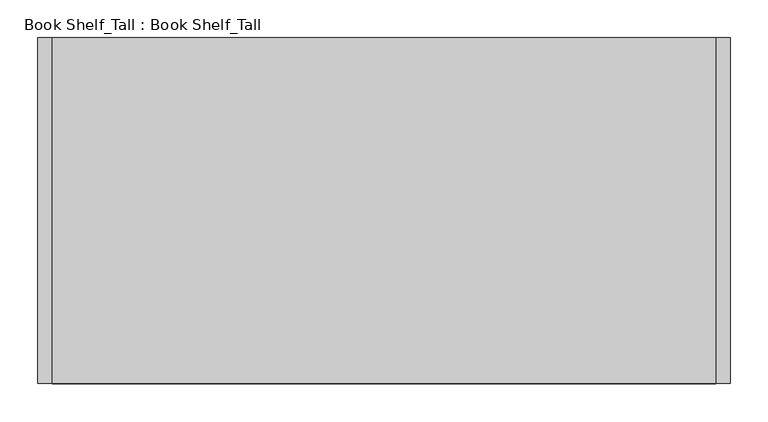
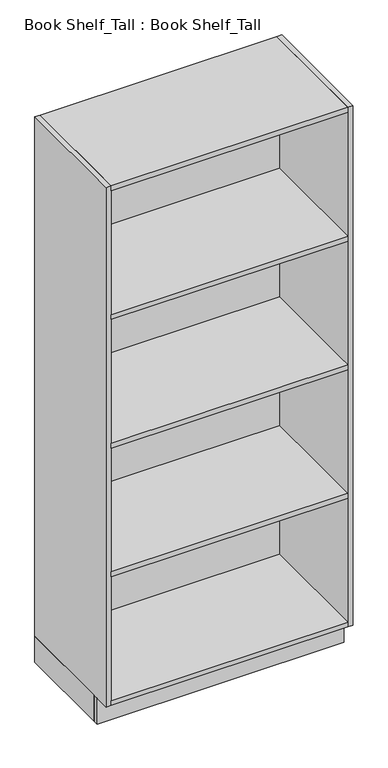
"""IFC4 building model written with IfcOpenShell, lengths in millimetres: furniture geometry, Book Shelf_Tall : Book Shelf_Tall."""

import ifcopenshell
import ifcopenshell.guid

model = None  # the IFC model being written
_history = None  # IfcOwnerHistory: only IFC2X3 demands one
_inside = {}  # id of a spatial element -> (the spatial element, [elements in it])
_under = {}  # id of a project, library or spatial element -> (it, [spatial elements below it])
_declared = {}  # id of a project -> (the project, [libraries it declares])
_typed = {}  # id of a type object -> (the type object, [elements of that type])
_made_of = {}  # id of a material, layer set ... -> (it, [elements and type objects made of it])


def new_model(schema):
    """Start an empty IFC model of exactly this schema.

    Asked for "IFC4X3", IfcOpenShell would pick the latest addendum, in which some entities
    have other attributes; the version numbers below select the first issue.
    IFC2X3 requires an IfcOwnerHistory on every rooted entity: one is made here for all.
    """
    global model, _history
    if schema == "IFC4X3":
        model = ifcopenshell.file(schema_version=(4, 3, 0, 0))
    else:
        model = ifcopenshell.file(schema=schema)
    _inside.clear()
    _under.clear()
    _declared.clear()
    _typed.clear()
    _made_of.clear()
    _history = None
    if model.schema == "IFC2X3":
        org = make("IfcOrganization", Name="unknown")
        user = make(
            "IfcPersonAndOrganization",
            ThePerson=make("IfcPerson", FamilyName="unknown"),
            TheOrganization=org,
        )
        app = make(
            "IfcApplication",
            ApplicationDeveloper=org,
            Version="unknown",
            ApplicationFullName="unknown",
            ApplicationIdentifier="unknown",
        )
        _history = make(
            "IfcOwnerHistory",
            OwningUser=user,
            OwningApplication=app,
            ChangeAction="ADDED",
            CreationDate=0,
        )
    return model


def make(cls, **values):
    """One entity of the class cls with the attributes given. An attribute that is None is left unset."""
    return model.create_entity(
        cls, **{name: value for name, value in values.items() if value is not None}
    )


def rooted(cls, **values):
    """An entity with a GlobalId (a new one), such as an element, a storey or a relation."""
    return make(cls, GlobalId=ifcopenshell.guid.new(), OwnerHistory=_history, **values)


def si_unit(unit_type, name, prefix=None):
    """IfcSIUnit, for example si_unit("LENGTHUNIT", "METRE", prefix="MILLI")."""
    return make("IfcSIUnit", UnitType=unit_type, Prefix=prefix, Name=name)


def assignment(units):
    """IfcUnitAssignment: the units of a project."""
    return None if units is None else make("IfcUnitAssignment", Units=units)


def point(xyz):
    """IfcCartesianPoint."""
    return None if xyz is None else make("IfcCartesianPoint", Coordinates=xyz)


def direction(xyz):
    """IfcDirection."""
    return None if xyz is None else make("IfcDirection", DirectionRatios=xyz)


def frame(location, z_axis=None, x_axis=None):
    """IfcAxis2Placement3D, a coordinate frame: its origin and axes. An axis left out is left unset."""
    return make(
        "IfcAxis2Placement3D",
        Location=point(location),
        Axis=direction(z_axis),
        RefDirection=direction(x_axis),
    )


def origin():
    """The frame at (0, 0, 0) with its axes left unset."""
    return frame((0.0, 0.0, 0.0))


def origin_with_axes():
    """The frame at (0, 0, 0) with the z axis (0, 0, 1) and the x axis (1, 0, 0) written out."""
    return frame((0.0, 0.0, 0.0), z_axis=(0.0, 0.0, 1.0), x_axis=(1.0, 0.0, 0.0))


def place(relative_to, where):
    """IfcLocalPlacement: puts the frame where relative to a parent placement (None: the world)."""
    return make(
        "IfcLocalPlacement", PlacementRelTo=relative_to, RelativePlacement=where
    )


def context(
    kind, dimensions, precision=None, world=None, true_north=None, identifier=None
):
    """IfcGeometricRepresentationContext, for example the 3D "Model" context."""
    return make(
        "IfcGeometricRepresentationContext",
        ContextIdentifier=identifier,
        ContextType=kind,
        CoordinateSpaceDimension=dimensions,
        Precision=precision,
        WorldCoordinateSystem=world,
        TrueNorth=true_north,
    )


def project(units=None, contexts=None):
    """IfcProject with its units and contexts."""
    return rooted(
        "IfcProject",
        Name="project",
        RepresentationContexts=contexts,
        UnitsInContext=assignment(units),
    )


def spatial(cls, under=None, at=None, **own):
    """A site, building, storey or space (cls), placed at a placement, below another one or the project."""
    s = rooted(cls, ObjectPlacement=at, **own)
    if under is not None:
        _under.setdefault(under.id(), (under, []))[1].append(s)
    return s


def polyline(points):
    """IfcPolyline through the points."""
    return make("IfcPolyline", Points=[point(p) for p in points])


def outline(outer, holes=None, kind="AREA"):
    """IfcArbitraryClosedProfileDef: a profile drawn as a closed curve; with holes, ...WithVoids."""
    if holes is None:
        return make("IfcArbitraryClosedProfileDef", ProfileType=kind, OuterCurve=outer)
    return make(
        "IfcArbitraryProfileDefWithVoids",
        ProfileType=kind,
        OuterCurve=outer,
        InnerCurves=holes,
    )


def extrude(swept, where, along, depth):
    """IfcExtrudedAreaSolid: the profile swept, set in the frame where, extruded along a direction by depth."""
    return make(
        "IfcExtrudedAreaSolid",
        SweptArea=swept,
        Position=where,
        ExtrudedDirection=direction(along),
        Depth=depth,
    )


def shape(context_of_items, identifier, shape_type, items):
    """IfcShapeRepresentation: the items that make up one representation, for example the "Body"."""
    return make(
        "IfcShapeRepresentation",
        ContextOfItems=context_of_items,
        RepresentationIdentifier=identifier,
        RepresentationType=shape_type,
        Items=items,
    )


def source(mapping_origin, context_of_items, identifier, shape_type, items):
    """IfcRepresentationMap: a shape defined once, which mapped items show again and again."""
    return make(
        "IfcRepresentationMap",
        MappingOrigin=mapping_origin,
        MappedRepresentation=shape(context_of_items, identifier, shape_type, items),
    )


def transform(
    local_origin,
    x_axis=None,
    y_axis=None,
    z_axis=None,
    scale=None,
    scale2=None,
    scale3=None,
    uniform=True,
):
    """IfcCartesianTransformationOperator3D, or its non-uniform kind. x_axis, y_axis, z_axis: its Axis1, 2, 3."""
    if uniform:
        return make(
            "IfcCartesianTransformationOperator3D",
            Axis1=direction(x_axis),
            Axis2=direction(y_axis),
            LocalOrigin=point(local_origin),
            Scale=scale,
            Axis3=direction(z_axis),
        )
    return make(
        "IfcCartesianTransformationOperator3DnonUniform",
        Axis1=direction(x_axis),
        Axis2=direction(y_axis),
        LocalOrigin=point(local_origin),
        Scale=scale,
        Axis3=direction(z_axis),
        Scale2=scale2,
        Scale3=scale3,
    )


def mapped(mapping_source, mapping_target):
    """IfcMappedItem: shows the shape of a source again, moved by a transform."""
    return make(
        "IfcMappedItem", MappingSource=mapping_source, MappingTarget=mapping_target
    )


def made_of(thing, what):
    """Note that an element or type object is made of a material, layer set ...; save() writes the relation."""
    if what is not None:
        _made_of.setdefault(what.id(), (what, []))[1].append(thing)
    return thing


def element(
    cls,
    number,
    at=None,
    inside=None,
    cuts=None,
    type_object=None,
    material=None,
    context=None,
    identifier="Body",
    shape_type=None,
    held_by="IfcProductDefinitionShape",
    body=None,
    shapes=None,
    **own,
):
    """One element of the class cls, such as IfcWall. Its Tag is "e" and its number.

    at: its placement. inside: the storey or other place that contains it. cuts: it is an
    opening in that element (IfcRelVoidsElement). A single representation is given by context,
    identifier, shape_type and body (its items); several are given by shapes. held_by: the class
    of the entity that holds the representations. save() writes the other relations.
    """
    e = rooted(cls, Tag="e%d" % number, ObjectPlacement=at, **own)
    if body is not None:
        shapes = [shape(context, identifier, shape_type, body)]
    if shapes is not None:
        e.Representation = make(held_by, Representations=shapes)
    if inside is not None:
        _inside.setdefault(inside.id(), (inside, []))[1].append(e)
    if cuts is not None:
        rooted(
            "IfcRelVoidsElement", RelatingBuildingElement=cuts, RelatedOpeningElement=e
        )
    if type_object is not None:
        _typed.setdefault(type_object.id(), (type_object, []))[1].append(e)
    return made_of(e, material)


def aggregate(whole, parts):
    """IfcRelAggregates: a whole, such as a stair, and the parts it consists of."""
    return rooted("IfcRelAggregates", RelatingObject=whole, RelatedObjects=parts)


def save(model, path):
    """Write the relations noted so far, then the file.

    IfcRelAggregates (storeys below a building ...), IfcRelContainedInSpatialStructure (elements
    in a storey), IfcRelDefinesByType, IfcRelAssociatesMaterial and IfcRelDeclares: one each for
    every whole, place, type object, material and project.
    """
    for whole, parts in _under.values():
        aggregate(whole, parts)
    for where, things in _inside.values():
        rooted(
            "IfcRelContainedInSpatialStructure",
            RelatedElements=things,
            RelatingStructure=where,
        )
    for kind, things in _typed.values():
        rooted("IfcRelDefinesByType", RelatedObjects=things, RelatingType=kind)
    for what, things in _made_of.values():
        rooted("IfcRelAssociatesMaterial", RelatedObjects=things, RelatingMaterial=what)
    for by, libraries in _declared.values():
        rooted("IfcRelDeclares", RelatingContext=by, RelatedDefinitions=libraries)
    model.write(path)


def book_shelf_tall_book_shelf_tall_a9fa57d7(model_context):
    return source(origin(), model_context, "Body", "SweptSolid", [
        extrude(outline(polyline([(332.390969, -381.0), (332.390969, 0.0), (351.440969, 0.0), (351.440969, -381.0), (332.390969, -381.0)])), origin_with_axes(), (0.0, 0.0, 1.0), 101.6),
        extrude(outline(polyline([(-562.959031, -381.0), (-562.959031, 0.0), (-543.909031, 0.0), (-543.909031, -381.0), (-562.959031, -381.0)])), origin_with_axes(), (0.0, 0.0, 1.0), 101.6),
        extrude(outline(polyline([(332.390969, -19.05), (332.390969, -457.2), (-543.909031, -457.2), (-543.909031, -19.05), (332.390969, -19.05)])), frame((0.0, 0.0, 1611.3125), z_axis=(0.0, 0.0, 1.0), x_axis=(1.0, 0.0, 0.0)), (0.0, 0.0, 1.0), 19.05),
        extrude(outline(polyline([(332.390969, -19.05), (332.390969, -457.2), (-543.909031, -457.2), (-543.909031, -19.05), (332.390969, -19.05)])), frame((0.0, 0.0, 1108.075), z_axis=(0.0, 0.0, 1.0), x_axis=(1.0, 0.0, 0.0)), (0.0, 0.0, 1.0), 19.05),
        extrude(outline(polyline([(332.390969, -19.05), (332.390969, -457.2), (-543.909031, -457.2), (-543.909031, -19.05), (332.390969, -19.05)])), frame((0.0, 0.0, 604.8375), z_axis=(0.0, 0.0, 1.0), x_axis=(1.0, 0.0, 0.0)), (0.0, 0.0, 1.0), 19.05),
        extrude(outline(polyline([(332.390969, -19.05), (332.390969, -457.2), (-543.909031, -457.2), (-543.909031, -19.05), (332.390969, -19.05)])), frame((0.0, 0.0, 101.6), z_axis=(0.0, 0.0, 1.0), x_axis=(1.0, 0.0, 0.0)), (0.0, 0.0, 1.0), 19.05),
        extrude(outline(polyline([(332.390969, -19.05), (-543.909031, -19.05), (-543.909031, 0.0), (332.390969, 0.0), (332.390969, -19.05)])), origin_with_axes(), (0.0, 0.0, 1.0), 2114.55),
        extrude(outline(polyline([(332.390969, 0.0), (332.390969, -457.2), (-543.909031, -457.2), (-543.909031, 0.0), (332.390969, 0.0)])), frame((0.0, 0.0, 2114.55), z_axis=(0.0, 0.0, 1.0), x_axis=(1.0, 0.0, 0.0)), (0.0, 0.0, 1.0), 19.05),
        extrude(outline(polyline([(332.390969, -457.2), (332.390969, 0.0), (351.440969, 0.0), (351.440969, -457.2), (332.390969, -457.2)])), frame((0.0, 0.0, 101.6), z_axis=(0.0, 0.0, 1.0), x_axis=(1.0, 0.0, 0.0)), (0.0, 0.0, 1.0), 2032.0),
        extrude(outline(polyline([(-562.959031, -457.2), (-562.959031, 0.0), (-543.909031, 0.0), (-543.909031, -457.2), (-562.959031, -457.2)])), frame((0.0, 0.0, 101.6), z_axis=(0.0, 0.0, 1.0), x_axis=(1.0, 0.0, 0.0)), (0.0, 0.0, 1.0), 2032.0),
        extrude(outline(polyline([(-562.959031, -400.05), (-562.959031, -381.0), (351.440969, -381.0), (351.440969, -400.05), (-562.959031, -400.05)])), origin_with_axes(), (0.0, 0.0, 1.0), 101.6),
    ])


if __name__ == "__main__":
    model = new_model("IFC4")
    model_context = context("Model", 3, world=origin())
    ifc_project = project(units=[si_unit("LENGTHUNIT", "METRE", prefix="MILLI")], contexts=[model_context])
    site = spatial("IfcSite", under=ifc_project)
    building = spatial("IfcBuilding", under=site)
    placement = place(None, origin())
    book_shelf_tall_book_shelf_tall_shape = book_shelf_tall_book_shelf_tall_a9fa57d7(model_context)
    element("IfcFurniture", 1, ObjectType="Book Shelf_Tall : Book Shelf_Tall", at=placement, inside=building, context=model_context, shape_type="MappedRepresentation", body=[
        mapped(book_shelf_tall_book_shelf_tall_shape, transform((0.0, 0.0, 0.0), x_axis=(1.0, 0.0, 0.0), y_axis=(0.0, 1.0, 0.0), z_axis=(0.0, 0.0, 1.0))),
    ])
    save(model, "model.ifc")
